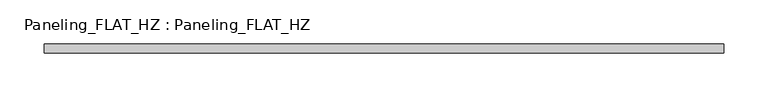
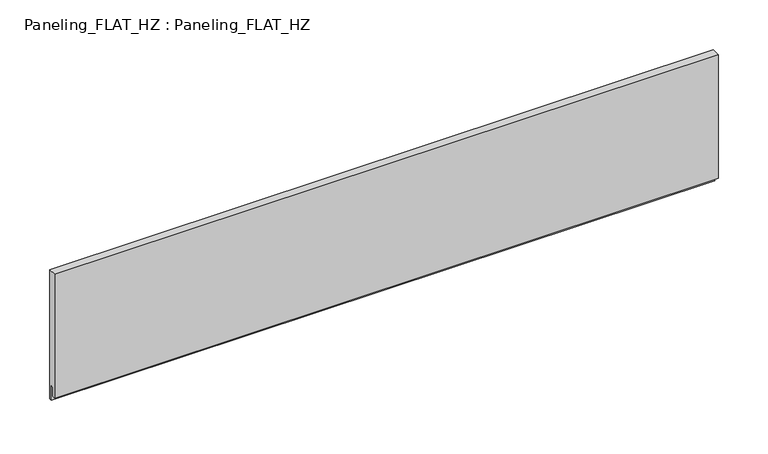
"""IFC4 building model written with IfcOpenShell, lengths in millimetres: plate geometry, Paneling_FLAT_HZ : Paneling_FLAT_HZ."""

import ifcopenshell
import ifcopenshell.guid

model = None  # the IFC model being written
_history = None  # IfcOwnerHistory: only IFC2X3 demands one
_inside = {}  # id of a spatial element -> (the spatial element, [elements in it])
_under = {}  # id of a project, library or spatial element -> (it, [spatial elements below it])
_declared = {}  # id of a project -> (the project, [libraries it declares])
_typed = {}  # id of a type object -> (the type object, [elements of that type])
_made_of = {}  # id of a material, layer set ... -> (it, [elements and type objects made of it])


def new_model(schema):
    """Start an empty IFC model of exactly this schema.

    Asked for "IFC4X3", IfcOpenShell would pick the latest addendum, in which some entities
    have other attributes; the version numbers below select the first issue.
    IFC2X3 requires an IfcOwnerHistory on every rooted entity: one is made here for all.
    """
    global model, _history
    if schema == "IFC4X3":
        model = ifcopenshell.file(schema_version=(4, 3, 0, 0))
    else:
        model = ifcopenshell.file(schema=schema)
    _inside.clear()
    _under.clear()
    _declared.clear()
    _typed.clear()
    _made_of.clear()
    _history = None
    if model.schema == "IFC2X3":
        org = make("IfcOrganization", Name="unknown")
        user = make(
            "IfcPersonAndOrganization",
            ThePerson=make("IfcPerson", FamilyName="unknown"),
            TheOrganization=org,
        )
        app = make(
            "IfcApplication",
            ApplicationDeveloper=org,
            Version="unknown",
            ApplicationFullName="unknown",
            ApplicationIdentifier="unknown",
        )
        _history = make(
            "IfcOwnerHistory",
            OwningUser=user,
            OwningApplication=app,
            ChangeAction="ADDED",
            CreationDate=0,
        )
    return model


def make(cls, **values):
    """One entity of the class cls with the attributes given. An attribute that is None is left unset."""
    return model.create_entity(
        cls, **{name: value for name, value in values.items() if value is not None}
    )


def rooted(cls, **values):
    """An entity with a GlobalId (a new one), such as an element, a storey or a relation."""
    return make(cls, GlobalId=ifcopenshell.guid.new(), OwnerHistory=_history, **values)


def si_unit(unit_type, name, prefix=None):
    """IfcSIUnit, for example si_unit("LENGTHUNIT", "METRE", prefix="MILLI")."""
    return make("IfcSIUnit", UnitType=unit_type, Prefix=prefix, Name=name)


def assignment(units):
    """IfcUnitAssignment: the units of a project."""
    return None if units is None else make("IfcUnitAssignment", Units=units)


def point(xyz):
    """IfcCartesianPoint."""
    return None if xyz is None else make("IfcCartesianPoint", Coordinates=xyz)


def direction(xyz):
    """IfcDirection."""
    return None if xyz is None else make("IfcDirection", DirectionRatios=xyz)


def frame(location, z_axis=None, x_axis=None):
    """IfcAxis2Placement3D, a coordinate frame: its origin and axes. An axis left out is left unset."""
    return make(
        "IfcAxis2Placement3D",
        Location=point(location),
        Axis=direction(z_axis),
        RefDirection=direction(x_axis),
    )


def origin():
    """The frame at (0, 0, 0) with its axes left unset."""
    return frame((0.0, 0.0, 0.0))


def place(relative_to, where):
    """IfcLocalPlacement: puts the frame where relative to a parent placement (None: the world)."""
    return make(
        "IfcLocalPlacement", PlacementRelTo=relative_to, RelativePlacement=where
    )


def context(
    kind, dimensions, precision=None, world=None, true_north=None, identifier=None
):
    """IfcGeometricRepresentationContext, for example the 3D "Model" context."""
    return make(
        "IfcGeometricRepresentationContext",
        ContextIdentifier=identifier,
        ContextType=kind,
        CoordinateSpaceDimension=dimensions,
        Precision=precision,
        WorldCoordinateSystem=world,
        TrueNorth=true_north,
    )


def project(units=None, contexts=None):
    """IfcProject with its units and contexts."""
    return rooted(
        "IfcProject",
        Name="project",
        RepresentationContexts=contexts,
        UnitsInContext=assignment(units),
    )


def spatial(cls, under=None, at=None, **own):
    """A site, building, storey or space (cls), placed at a placement, below another one or the project."""
    s = rooted(cls, ObjectPlacement=at, **own)
    if under is not None:
        _under.setdefault(under.id(), (under, []))[1].append(s)
    return s


def polyline(points):
    """IfcPolyline through the points."""
    return make("IfcPolyline", Points=[point(p) for p in points])


def outline(outer, holes=None, kind="AREA"):
    """IfcArbitraryClosedProfileDef: a profile drawn as a closed curve; with holes, ...WithVoids."""
    if holes is None:
        return make("IfcArbitraryClosedProfileDef", ProfileType=kind, OuterCurve=outer)
    return make(
        "IfcArbitraryProfileDefWithVoids",
        ProfileType=kind,
        OuterCurve=outer,
        InnerCurves=holes,
    )


def extrude(swept, where, along, depth):
    """IfcExtrudedAreaSolid: the profile swept, set in the frame where, extruded along a direction by depth."""
    return make(
        "IfcExtrudedAreaSolid",
        SweptArea=swept,
        Position=where,
        ExtrudedDirection=direction(along),
        Depth=depth,
    )


def shape(context_of_items, identifier, shape_type, items):
    """IfcShapeRepresentation: the items that make up one representation, for example the "Body"."""
    return make(
        "IfcShapeRepresentation",
        ContextOfItems=context_of_items,
        RepresentationIdentifier=identifier,
        RepresentationType=shape_type,
        Items=items,
    )


def source(mapping_origin, context_of_items, identifier, shape_type, items):
    """IfcRepresentationMap: a shape defined once, which mapped items show again and again."""
    return make(
        "IfcRepresentationMap",
        MappingOrigin=mapping_origin,
        MappedRepresentation=shape(context_of_items, identifier, shape_type, items),
    )


def transform(
    local_origin,
    x_axis=None,
    y_axis=None,
    z_axis=None,
    scale=None,
    scale2=None,
    scale3=None,
    uniform=True,
):
    """IfcCartesianTransformationOperator3D, or its non-uniform kind. x_axis, y_axis, z_axis: its Axis1, 2, 3."""
    if uniform:
        return make(
            "IfcCartesianTransformationOperator3D",
            Axis1=direction(x_axis),
            Axis2=direction(y_axis),
            LocalOrigin=point(local_origin),
            Scale=scale,
            Axis3=direction(z_axis),
        )
    return make(
        "IfcCartesianTransformationOperator3DnonUniform",
        Axis1=direction(x_axis),
        Axis2=direction(y_axis),
        LocalOrigin=point(local_origin),
        Scale=scale,
        Axis3=direction(z_axis),
        Scale2=scale2,
        Scale3=scale3,
    )


def mapped(mapping_source, mapping_target):
    """IfcMappedItem: shows the shape of a source again, moved by a transform."""
    return make(
        "IfcMappedItem", MappingSource=mapping_source, MappingTarget=mapping_target
    )


def made_of(thing, what):
    """Note that an element or type object is made of a material, layer set ...; save() writes the relation."""
    if what is not None:
        _made_of.setdefault(what.id(), (what, []))[1].append(thing)
    return thing


def element(
    cls,
    number,
    at=None,
    inside=None,
    cuts=None,
    type_object=None,
    material=None,
    context=None,
    identifier="Body",
    shape_type=None,
    held_by="IfcProductDefinitionShape",
    body=None,
    shapes=None,
    **own,
):
    """One element of the class cls, such as IfcWall. Its Tag is "e" and its number.

    at: its placement. inside: the storey or other place that contains it. cuts: it is an
    opening in that element (IfcRelVoidsElement). A single representation is given by context,
    identifier, shape_type and body (its items); several are given by shapes. held_by: the class
    of the entity that holds the representations. save() writes the other relations.
    """
    e = rooted(cls, Tag="e%d" % number, ObjectPlacement=at, **own)
    if body is not None:
        shapes = [shape(context, identifier, shape_type, body)]
    if shapes is not None:
        e.Representation = make(held_by, Representations=shapes)
    if inside is not None:
        _inside.setdefault(inside.id(), (inside, []))[1].append(e)
    if cuts is not None:
        rooted(
            "IfcRelVoidsElement", RelatingBuildingElement=cuts, RelatedOpeningElement=e
        )
    if type_object is not None:
        _typed.setdefault(type_object.id(), (type_object, []))[1].append(e)
    return made_of(e, material)


def aggregate(whole, parts):
    """IfcRelAggregates: a whole, such as a stair, and the parts it consists of."""
    return rooted("IfcRelAggregates", RelatingObject=whole, RelatedObjects=parts)


def save(model, path):
    """Write the relations noted so far, then the file.

    IfcRelAggregates (storeys below a building ...), IfcRelContainedInSpatialStructure (elements
    in a storey), IfcRelDefinesByType, IfcRelAssociatesMaterial and IfcRelDeclares: one each for
    every whole, place, type object, material and project.
    """
    for whole, parts in _under.values():
        aggregate(whole, parts)
    for where, things in _inside.values():
        rooted(
            "IfcRelContainedInSpatialStructure",
            RelatedElements=things,
            RelatingStructure=where,
        )
    for kind, things in _typed.values():
        rooted("IfcRelDefinesByType", RelatedObjects=things, RelatingType=kind)
    for what, things in _made_of.values():
        rooted("IfcRelAssociatesMaterial", RelatedObjects=things, RelatingMaterial=what)
    for by, libraries in _declared.values():
        rooted("IfcRelDeclares", RelatingContext=by, RelatedDefinitions=libraries)
    model.write(path)


def paneling_flat_hz_paneling_flat_hz_766613db(model_context):
    return source(origin(), model_context, "Body", "SweptSolid", [
        extrude(outline(polyline([(5.0, 151.0), (5.0, -7.0), (2.0, -7.0), (2.0, 11.0), (-1.0, 11.0), (-1.0, 0.0), (-5.0, 0.0), (-5.0, 151.0), (5.0, 151.0)])), frame((-383.4, 0.0, 0.0), z_axis=(1.0, 0.0, 0.0), x_axis=(0.0, 1.0, 0.0)), (0.0, 0.0, 1.0), 766.8),
    ])


if __name__ == "__main__":
    model = new_model("IFC4")
    model_context = context("Model", 3, world=origin())
    ifc_project = project(units=[si_unit("LENGTHUNIT", "METRE", prefix="MILLI")], contexts=[model_context])
    site = spatial("IfcSite", under=ifc_project)
    building = spatial("IfcBuilding", under=site)
    placement = place(None, origin())
    paneling_flat_hz_paneling_flat_hz_shape = paneling_flat_hz_paneling_flat_hz_766613db(model_context)
    element("IfcPlate", 1, ObjectType="Paneling_FLAT_HZ : Paneling_FLAT_HZ", at=placement, inside=building, context=model_context, shape_type="MappedRepresentation", body=[
        mapped(paneling_flat_hz_paneling_flat_hz_shape, transform((0.0, 0.0, 0.0), x_axis=(1.0, 0.0, 0.0), y_axis=(0.0, 1.0, 0.0), z_axis=(0.0, 0.0, 1.0))),
    ])
    save(model, "model.ifc")
